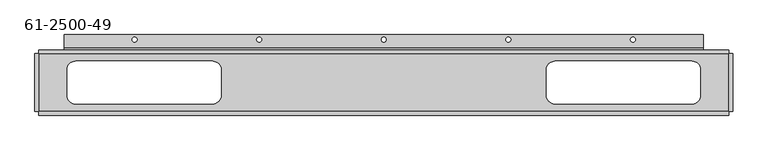
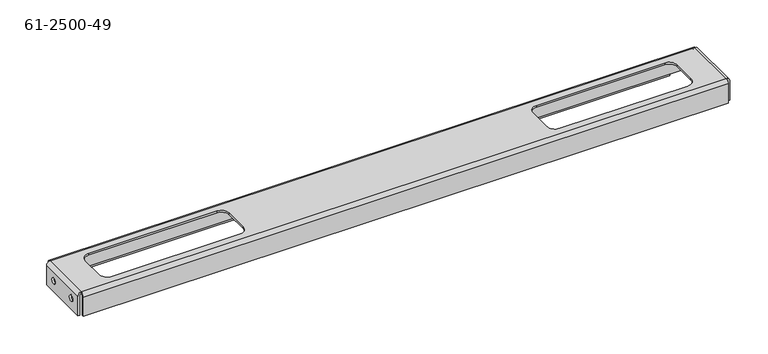
"""IFC4 building model written with IfcOpenShell, lengths in millimetres: proxy geometry, 61-2500-49."""

from ifc_helpers import new_model, si_unit, frame, origin, place, context, project, spatial, polyline, circle_curve, source, transform, mapped, element, save
from ifc_brep_helpers import plane_surface, cylinder_surface, revolved_surface, advanced_brep


def proxy_61_2500_49_d71531a4(model_context):
    return source(origin(), model_context, "Body", "AdvancedBrep", [
        advanced_brep(
        [(0.0, -24.96312, -22.1996), (2.75336, -24.96312, -22.1996), (2.75336, -24.96312, -12.6746), (0.0, -24.96312, -12.6746), (1032.25092, -24.96312, -22.1996), (1035.00428, -24.96312, -22.1996), (1035.00428, -24.96312, -12.6746), (1032.25092, -24.96312, -12.6746), (0.0, -72.68718, -22.1996), (2.75336, -72.68718, -22.1996), (2.75336, -72.68718, -12.6746), (0.0, -72.68718, -12.6746), (1032.25092, -72.68718, -22.1996), (1035.00428, -72.68718, -22.1996), (1035.00428, -72.68718, -12.6746), (1032.25092, -72.68718, -12.6746), (705.90664, 15.45336, -35.34664), (705.90664, 15.45336, -32.59328), (698.66764, 15.45336, -32.59328), (698.66764, 15.45336, -35.34664), (151.55164, 15.45336, -35.34664), (151.55164, 15.45336, -32.59328), (144.31264, 15.45336, -32.59328), (144.31264, 15.45336, -35.34664), (521.12164, 15.45336, -35.34664), (521.12164, 15.45336, -32.59328), (513.88264, 15.45336, -32.59328), (513.88264, 15.45336, -35.34664), (890.69164, 15.45336, -35.34664), (890.69164, 15.45336, -32.59328), (883.45264, 15.45336, -32.59328), (883.45264, 15.45336, -35.34664), (336.33664, 15.45336, -35.34664), (336.33664, 15.45336, -32.59328), (329.09764, 15.45336, -32.59328), (329.09764, 15.45336, -35.34664), (60.30214, -16.68018, 0.0), (263.50214, -16.68018, 0.0), (263.50214, -16.68018, 2.75336), (60.30214, -16.68018, 2.75336), (47.60214, -29.38018, 0.0), (47.60214, -29.38018, 2.75336), (47.60214, -67.48018, 0.0), (47.60214, -67.48018, 2.75336), (60.30214, -80.18018, 0.0), (60.30214, -80.18018, 2.75336), (263.50214, -80.18018, 0.0), (263.50214, -80.18018, 2.75336), (276.20214, -67.48018, 0.0), (276.20214, -67.48018, 2.75336), (276.20214, -29.38018, 0.0), (276.20214, -29.38018, 2.75336), (771.50214, -16.68018, 0.0), (974.70214, -16.68018, 0.0), (974.70214, -16.68018, 2.75336), (771.50214, -16.68018, 2.75336), (758.80214, -29.38018, 0.0), (758.80214, -29.38018, 2.75336), (758.80214, -67.48018, 0.0), (758.80214, -67.48018, 2.75336), (771.50214, -80.18018, 0.0), (771.50214, -80.18018, 2.75336), (974.70214, -80.18018, 0.0), (974.70214, -80.18018, 2.75336), (987.40214, -67.48018, 0.0), (987.40214, -67.48018, 2.75336), (987.40214, -29.38018, 0.0), (987.40214, -29.38018, 2.75336), (43.60672, 2.75336, -35.34664), (991.39756, 2.75336, -35.34664), (991.39756, -2.75336, -29.83992), (43.60672, -2.75336, -29.83992), (991.39756, 2.75336, -32.59328), (43.60672, 2.75336, -32.59328), (43.60672, 0.0, -29.83992), (991.39756, 0.0, -29.83992), (5.50672, -2.75336, -29.83992), (5.50672, 0.0, -29.83992), (1029.49756, 0.0, -29.83992), (1029.49756, -2.75336, -29.83992), (1029.49756, 0.0, -2.75336), (1029.49756, -5.50672, 2.75336), (1029.49756, -5.50672, 0.0), (1029.49756, -2.75336, -2.75336), (5.50672, -2.75336, -2.75336), (5.50672, 0.0, -2.75336), (1029.49756, -96.8375, -35.34664), (1029.49756, -96.8375, -2.75336), (5.50672, -96.8375, -2.75336), (5.50672, -96.8375, -35.34664), (1029.49756, -94.08414, -35.34664), (5.50672, -94.08414, -35.34664), (1035.00428, -91.33078, -2.75336), (1035.00428, -5.50672, -2.75336), (1029.49756, -91.33078, 2.75336), (1032.25092, -5.50672, -2.75336), (1032.25092, -91.33078, -2.75336), (1029.49756, -91.33078, 0.0), (1029.49756, -94.08414, -2.75336), (5.50672, -5.50672, 0.0), (5.50672, -91.33078, 2.75336), (5.50672, -91.33078, 0.0), (0.0, -5.50672, -2.75336), (0.0, -91.33078, -2.75336), (5.50672, -5.50672, 2.75336), (2.75336, -91.33078, -2.75336), (2.75336, -5.50672, -2.75336), (5.50672, -94.08414, -2.75336), (0.0, -91.33078, -35.34664), (2.75336, -91.33078, -35.34664), (0.0, -5.50672, -35.34664), (2.75336, -5.50672, -35.34664), (1035.00428, -5.50672, -35.34664), (1032.25092, -5.50672, -35.34664), (1035.00428, -91.33078, -35.34664), (1032.25092, -91.33078, -35.34664), (991.39756, 22.64664, -35.34664), (991.39756, 22.64664, -32.59328), (43.60672, 22.64664, -35.34664), (43.60672, 22.64664, -32.59328)],
        [
            (0, 1),
            (1, 2, circle_curve(frame((2.75336, -24.96312, -17.4371), z_axis=(1.0, 0.0, 0.0), x_axis=(0.0, 0.0, -1.0)), 4.7625)),
            (2, 3),
            (3, 0, circle_curve(frame((0.0, -24.96312, -17.4371), z_axis=(-1.0, 0.0, 0.0), x_axis=(0.0, 0.0, -1.0)), 4.7625)),
            (4, 5),
            (5, 6, circle_curve(frame((1035.00428, -24.96312, -17.4371), z_axis=(1.0, 0.0, 0.0), x_axis=(0.0, 0.0, -1.0)), 4.7625)),
            (6, 7),
            (7, 4, circle_curve(frame((1032.25092, -24.96312, -17.4371), z_axis=(-1.0, 0.0, 0.0), x_axis=(0.0, 0.0, -1.0)), 4.7625)),
            (8, 9),
            (9, 10, circle_curve(frame((2.75336, -72.68718, -17.4371), z_axis=(1.0, 0.0, 0.0), x_axis=(0.0, 0.0, -1.0)), 4.7625)),
            (10, 11),
            (11, 8, circle_curve(frame((0.0, -72.68718, -17.4371), z_axis=(-1.0, 0.0, 0.0), x_axis=(0.0, 0.0, -1.0)), 4.7625)),
            (12, 13),
            (13, 14, circle_curve(frame((1035.00428, -72.68718, -17.4371), z_axis=(1.0, 0.0, 0.0), x_axis=(0.0, 0.0, -1.0)), 4.7625)),
            (14, 15),
            (15, 12, circle_curve(frame((1032.25092, -72.68718, -17.4371), z_axis=(-1.0, 0.0, 0.0), x_axis=(0.0, 0.0, -1.0)), 4.7625)),
            (16, 17),
            (17, 18, circle_curve(frame((702.28714, 15.45336, -32.59328), z_axis=(0.0, 0.0, 1.0), x_axis=(1.0, 0.0, 0.0)), 3.6195)),
            (18, 19),
            (19, 16, circle_curve(frame((702.28714, 15.45336, -35.34664), z_axis=(0.0, 0.0, -1.0), x_axis=(1.0, 0.0, 0.0)), 3.6195)),
            (20, 21),
            (21, 22, circle_curve(frame((147.93214, 15.45336, -32.59328), z_axis=(0.0, 0.0, 1.0), x_axis=(1.0, 0.0, 0.0)), 3.6195)),
            (22, 23),
            (23, 20, circle_curve(frame((147.93214, 15.45336, -35.34664), z_axis=(0.0, 0.0, -1.0), x_axis=(1.0, 0.0, 0.0)), 3.6195)),
            (24, 25),
            (25, 26, circle_curve(frame((517.50214, 15.45336, -32.59328), z_axis=(0.0, 0.0, 1.0), x_axis=(1.0, 0.0, 0.0)), 3.6195)),
            (26, 27),
            (27, 24, circle_curve(frame((517.50214, 15.45336, -35.34664), z_axis=(0.0, 0.0, -1.0), x_axis=(1.0, 0.0, 0.0)), 3.6195)),
            (28, 29),
            (29, 30, circle_curve(frame((887.07214, 15.45336, -32.59328), z_axis=(0.0, 0.0, 1.0), x_axis=(1.0, 0.0, 0.0)), 3.6195)),
            (30, 31),
            (31, 28, circle_curve(frame((887.07214, 15.45336, -35.34664), z_axis=(0.0, 0.0, -1.0), x_axis=(1.0, 0.0, 0.0)), 3.6195)),
            (32, 33),
            (33, 34, circle_curve(frame((332.71714, 15.45336, -32.59328), z_axis=(0.0, 0.0, 1.0), x_axis=(1.0, 0.0, 0.0)), 3.6195)),
            (34, 35),
            (35, 32, circle_curve(frame((332.71714, 15.45336, -35.34664), z_axis=(0.0, 0.0, -1.0), x_axis=(1.0, 0.0, 0.0)), 3.6195)),
            (32, 35, circle_curve(frame((332.71714, 15.45336, -35.34664), z_axis=(0.0, 0.0, -1.0), x_axis=(1.0, 0.0, 0.0)), 3.6195)),
            (34, 33, circle_curve(frame((332.71714, 15.45336, -32.59328), z_axis=(0.0, 0.0, 1.0), x_axis=(1.0, 0.0, 0.0)), 3.6195)),
            (28, 31, circle_curve(frame((887.07214, 15.45336, -35.34664), z_axis=(0.0, 0.0, -1.0), x_axis=(1.0, 0.0, 0.0)), 3.6195)),
            (30, 29, circle_curve(frame((887.07214, 15.45336, -32.59328), z_axis=(0.0, 0.0, 1.0), x_axis=(1.0, 0.0, 0.0)), 3.6195)),
            (24, 27, circle_curve(frame((517.50214, 15.45336, -35.34664), z_axis=(0.0, 0.0, -1.0), x_axis=(1.0, 0.0, 0.0)), 3.6195)),
            (26, 25, circle_curve(frame((517.50214, 15.45336, -32.59328), z_axis=(0.0, 0.0, 1.0), x_axis=(1.0, 0.0, 0.0)), 3.6195)),
            (20, 23, circle_curve(frame((147.93214, 15.45336, -35.34664), z_axis=(0.0, 0.0, -1.0), x_axis=(1.0, 0.0, 0.0)), 3.6195)),
            (22, 21, circle_curve(frame((147.93214, 15.45336, -32.59328), z_axis=(0.0, 0.0, 1.0), x_axis=(1.0, 0.0, 0.0)), 3.6195)),
            (16, 19, circle_curve(frame((702.28714, 15.45336, -35.34664), z_axis=(0.0, 0.0, -1.0), x_axis=(1.0, 0.0, 0.0)), 3.6195)),
            (18, 17, circle_curve(frame((702.28714, 15.45336, -32.59328), z_axis=(0.0, 0.0, 1.0), x_axis=(1.0, 0.0, 0.0)), 3.6195)),
            (36, 37),
            (37, 38),
            (38, 39),
            (39, 36),
            (40, 36, circle_curve(frame((60.30214, -29.38018, 0.0), z_axis=(0.0, 0.0, -1.0), x_axis=(0.0, -1.0, 0.0)), 12.7)),
            (39, 41, circle_curve(frame((60.30214, -29.38018, 2.75336), z_axis=(0.0, 0.0, 1.0), x_axis=(0.0, -1.0, 0.0)), 12.7)),
            (41, 40),
            (42, 40),
            (41, 43),
            (43, 42),
            (44, 42, circle_curve(frame((60.30214, -67.48018, 0.0), z_axis=(0.0, 0.0, -1.0), x_axis=(1.0, 0.0, 0.0)), 12.7)),
            (43, 45, circle_curve(frame((60.30214, -67.48018, 2.75336), z_axis=(0.0, 0.0, 1.0), x_axis=(1.0, 0.0, 0.0)), 12.7)),
            (45, 44),
            (46, 44),
            (45, 47),
            (47, 46),
            (48, 46, circle_curve(frame((263.50214, -67.48018, 0.0), z_axis=(0.0, 0.0, -1.0), x_axis=(0.0, 1.0, 0.0)), 12.7)),
            (47, 49, circle_curve(frame((263.50214, -67.48018, 2.75336), z_axis=(0.0, 0.0, 1.0), x_axis=(0.0, 1.0, 0.0)), 12.7)),
            (49, 48),
            (50, 48),
            (49, 51),
            (51, 50),
            (37, 50, circle_curve(frame((263.50214, -29.38018, 0.0), z_axis=(0.0, 0.0, -1.0), x_axis=(-1.0, 0.0, 0.0)), 12.7)),
            (51, 38, circle_curve(frame((263.50214, -29.38018, 2.75336), z_axis=(0.0, 0.0, 1.0), x_axis=(-1.0, 0.0, 0.0)), 12.7)),
            (52, 53),
            (53, 54),
            (54, 55),
            (55, 52),
            (56, 52, circle_curve(frame((771.50214, -29.38018, 0.0), z_axis=(0.0, 0.0, -1.0), x_axis=(0.0, -1.0, 0.0)), 12.7)),
            (55, 57, circle_curve(frame((771.50214, -29.38018, 2.75336), z_axis=(0.0, 0.0, 1.0), x_axis=(0.0, -1.0, 0.0)), 12.7)),
            (57, 56),
            (58, 56),
            (57, 59),
            (59, 58),
            (60, 58, circle_curve(frame((771.50214, -67.48018, 0.0), z_axis=(0.0, 0.0, -1.0), x_axis=(1.0, 0.0, 0.0)), 12.7)),
            (59, 61, circle_curve(frame((771.50214, -67.48018, 2.75336), z_axis=(0.0, 0.0, 1.0), x_axis=(1.0, 0.0, 0.0)), 12.7)),
            (61, 60),
            (62, 60),
            (61, 63),
            (63, 62),
            (64, 62, circle_curve(frame((974.70214, -67.48018, 0.0), z_axis=(0.0, 0.0, -1.0), x_axis=(0.0, 1.0, 0.0)), 12.7)),
            (63, 65, circle_curve(frame((974.70214, -67.48018, 2.75336), z_axis=(0.0, 0.0, 1.0), x_axis=(0.0, 1.0, 0.0)), 12.7)),
            (65, 64),
            (66, 64),
            (65, 67),
            (67, 66),
            (53, 66, circle_curve(frame((974.70214, -29.38018, 0.0), z_axis=(0.0, 0.0, -1.0), x_axis=(-1.0, 0.0, 0.0)), 12.7)),
            (67, 54, circle_curve(frame((974.70214, -29.38018, 2.75336), z_axis=(0.0, 0.0, 1.0), x_axis=(-1.0, 0.0, 0.0)), 12.7)),
            (12, 15, circle_curve(frame((1032.25092, -72.68718, -17.4371), z_axis=(-1.0, 0.0, 0.0), x_axis=(0.0, 0.0, -1.0)), 4.7625)),
            (14, 13, circle_curve(frame((1035.00428, -72.68718, -17.4371), z_axis=(1.0, 0.0, 0.0), x_axis=(0.0, 0.0, -1.0)), 4.7625)),
            (8, 11, circle_curve(frame((0.0, -72.68718, -17.4371), z_axis=(-1.0, 0.0, 0.0), x_axis=(0.0, 0.0, -1.0)), 4.7625)),
            (10, 9, circle_curve(frame((2.75336, -72.68718, -17.4371), z_axis=(1.0, 0.0, 0.0), x_axis=(0.0, 0.0, -1.0)), 4.7625)),
            (4, 7, circle_curve(frame((1032.25092, -24.96312, -17.4371), z_axis=(-1.0, 0.0, 0.0), x_axis=(0.0, 0.0, -1.0)), 4.7625)),
            (6, 5, circle_curve(frame((1035.00428, -24.96312, -17.4371), z_axis=(1.0, 0.0, 0.0), x_axis=(0.0, 0.0, -1.0)), 4.7625)),
            (0, 3, circle_curve(frame((0.0, -24.96312, -17.4371), z_axis=(-1.0, 0.0, 0.0), x_axis=(0.0, 0.0, -1.0)), 4.7625)),
            (2, 1, circle_curve(frame((2.75336, -24.96312, -17.4371), z_axis=(1.0, 0.0, 0.0), x_axis=(0.0, 0.0, -1.0)), 4.7625)),
            (68, 69),
            (69, 70, circle_curve(frame((991.39756, 2.75336, -29.83992), z_axis=(-1.0, 0.0, 0.0), x_axis=(0.0, -1.0, 0.0)), 5.50672)),
            (70, 71),
            (71, 68, circle_curve(frame((43.60672, 2.75336, -29.83992), z_axis=(1.0, 0.0, 0.0), x_axis=(0.0, -1.0, 0.0)), 5.50672)),
            (72, 73),
            (73, 74, circle_curve(frame((43.60672, 2.75336, -29.83992), z_axis=(-1.0, 0.0, 0.0), x_axis=(0.0, -1.0, 0.0)), 2.75336)),
            (74, 75),
            (75, 72, circle_curve(frame((991.39756, 2.75336, -29.83992), z_axis=(1.0, 0.0, 0.0), x_axis=(0.0, -1.0, 0.0)), 2.75336)),
            (74, 71),
            (71, 76),
            (76, 77),
            (77, 74),
            (70, 75),
            (75, 78),
            (78, 79),
            (79, 70),
            (78, 80),
            (80, 81, circle_curve(frame((1029.49756, -5.50672, -2.75336), z_axis=(1.0, 0.0, 0.0), x_axis=(0.0, 0.0, 1.0)), 5.50672)),
            (81, 82),
            (82, 83, circle_curve(frame((1029.49756, -5.50672, -2.75336), z_axis=(-1.0, 0.0, 0.0), x_axis=(0.0, 0.0, 1.0)), 2.75336)),
            (83, 79),
            (83, 84),
            (84, 76),
            (77, 85),
            (85, 80),
            (86, 87),
            (87, 88),
            (88, 89),
            (89, 86),
            (90, 86),
            (89, 91),
            (91, 90),
            (92, 93),
            (93, 81, circle_curve(frame((1029.49756, -5.50672, -2.75336), z_axis=(0.0, -1.0, 0.0), x_axis=(0.0, 0.0, 1.0)), 5.50672)),
            (81, 94),
            (94, 92, circle_curve(frame((1029.49756, -91.33078, -2.75336), z_axis=(0.0, 1.0, 0.0), x_axis=(0.0, 0.0, 1.0)), 5.50672)),
            (95, 96),
            (96, 97, circle_curve(frame((1029.49756, -91.33078, -2.75336), z_axis=(0.0, -1.0, 0.0), x_axis=(0.0, 0.0, 1.0)), 2.75336)),
            (97, 82),
            (82, 95, circle_curve(frame((1029.49756, -5.50672, -2.75336), z_axis=(0.0, 1.0, 0.0), x_axis=(0.0, 0.0, 1.0)), 2.75336)),
            (97, 94),
            (94, 87, circle_curve(frame((1029.49756, -91.33078, -2.75336), z_axis=(1.0, 0.0, 0.0), x_axis=(0.0, 0.0, 1.0)), 5.50672)),
            (90, 98),
            (98, 97, circle_curve(frame((1029.49756, -91.33078, -2.75336), z_axis=(-1.0, 0.0, 0.0), x_axis=(0.0, 0.0, 1.0)), 2.75336)),
            (82, 99),
            (99, 84, circle_curve(frame((5.50672, -5.50672, -2.75336), z_axis=(-1.0, 0.0, 0.0), x_axis=(0.0, 0.0, 1.0)), 2.75336)),
            (94, 100),
            (100, 88, circle_curve(frame((5.50672, -91.33078, -2.75336), z_axis=(1.0, 0.0, 0.0), x_axis=(0.0, 0.0, 1.0)), 5.50672)),
            (97, 101),
            (101, 99),
            (102, 103),
            (103, 100, circle_curve(frame((5.50672, -91.33078, -2.75336), z_axis=(0.0, 1.0, 0.0), x_axis=(0.0, 0.0, 1.0)), 5.50672)),
            (100, 104),
            (104, 102, circle_curve(frame((5.50672, -5.50672, -2.75336), z_axis=(0.0, -1.0, 0.0), x_axis=(0.0, 0.0, 1.0)), 5.50672)),
            (105, 106),
            (106, 99, circle_curve(frame((5.50672, -5.50672, -2.75336), z_axis=(0.0, 1.0, 0.0), x_axis=(0.0, 0.0, 1.0)), 2.75336)),
            (101, 105, circle_curve(frame((5.50672, -91.33078, -2.75336), z_axis=(0.0, -1.0, 0.0), x_axis=(0.0, 0.0, 1.0)), 2.75336)),
            (99, 104),
            (104, 85, circle_curve(frame((5.50672, -5.50672, -2.75336), z_axis=(-1.0, 0.0, 0.0), x_axis=(0.0, 0.0, 1.0)), 5.50672)),
            (100, 101),
            (101, 107, circle_curve(frame((5.50672, -91.33078, -2.75336), z_axis=(1.0, 0.0, 0.0), x_axis=(0.0, 0.0, 1.0)), 2.75336)),
            (107, 91),
            (104, 81),
            (98, 107),
            (103, 108),
            (108, 109),
            (109, 105),
            (102, 110),
            (110, 108),
            (106, 111),
            (111, 110),
            (111, 109),
            (93, 112),
            (112, 113),
            (113, 95),
            (92, 114),
            (114, 112),
            (96, 115),
            (115, 114),
            (115, 113),
            (69, 116),
            (116, 117),
            (117, 72),
            (68, 118),
            (118, 116),
            (73, 119),
            (119, 118),
            (119, 117),
        ],
        [
            revolved_surface(polyline([(2.75336, -24.96312, -22.1996), (0.0, -24.96312, -22.1996)]), (-7.5703837, -24.96312, -17.4371), (1.0, 0.0, 0.0)),
            revolved_surface(polyline([(1035.00428, -24.96312, -22.1996), (1032.25092, -24.96312, -22.1996)]), (-7.5703837, -24.96312, -17.4371), (1.0, 0.0, 0.0)),
            revolved_surface(polyline([(2.75336, -72.68718, -22.1996), (0.0, -72.68718, -22.1996)]), (-7.5703837, -72.68718, -17.4371), (1.0, 0.0, 0.0)),
            revolved_surface(polyline([(1035.00428, -72.68718, -22.1996), (1032.25092, -72.68718, -22.1996)]), (-7.5703837, -72.68718, -17.4371), (1.0, 0.0, 0.0)),
            revolved_surface(polyline([(705.90664, 15.45336, -32.59328), (705.90664, 15.45336, -35.34664)]), (702.28714, 15.45336, -33.96996), (0.0, 0.0, 1.0)),
            revolved_surface(polyline([(151.55164, 15.45336, -32.59328), (151.55164, 15.45336, -35.34664)]), (147.93214, 15.45336, -33.96996), (0.0, 0.0, 1.0)),
            revolved_surface(polyline([(521.1216400000001, 15.45336, -32.59328), (521.1216400000001, 15.45336, -35.34664)]), (517.50214, 15.45336, -33.96996), (0.0, 0.0, 1.0)),
            revolved_surface(polyline([(890.69164, 15.45336, -32.59328), (890.69164, 15.45336, -35.34664)]), (887.07214, 15.45336, -33.96996), (0.0, 0.0, 1.0)),
            revolved_surface(polyline([(336.33664, 15.45336, -32.59328), (336.33664, 15.45336, -35.34664)]), (332.71714, 15.45336, -33.96996), (0.0, 0.0, 1.0)),
            plane_surface(frame((161.90214, -16.68018, 2.75336), z_axis=(0.0, -1.0, 0.0), x_axis=(0.0, 0.0, 1.0))),
            revolved_surface(polyline([(60.30214, -42.08018, 0.0), (60.30214, -42.08018, 2.75336)]), (60.30214, -29.38018, 2.75336), (0.0, 0.0, -1.0)),
            plane_surface(frame((47.60214, -29.38018, 2.75336), z_axis=(1.0, 0.0, 0.0), x_axis=(0.0, 0.0, 1.0))),
            revolved_surface(polyline([(73.00214, -67.48018, 0.0), (73.00214, -67.48018, 2.75336)]), (60.30214, -67.48018, 2.75336), (0.0, 0.0, -1.0)),
            plane_surface(frame((60.30214, -80.18018, 2.75336), z_axis=(0.0, 1.0, 0.0), x_axis=(0.0, 0.0, -1.0))),
            revolved_surface(polyline([(263.50214, -54.78018, 0.0), (263.50214, -54.78018, 2.75336)]), (263.50214, -67.48018, 2.75336), (0.0, 0.0, -1.0)),
            plane_surface(frame((276.20214, -67.48018, 2.75336), z_axis=(-1.0, 0.0, 0.0), x_axis=(0.0, 0.0, -1.0))),
            revolved_surface(polyline([(250.80214, -29.38018, 0.0), (250.80214, -29.38018, 2.75336)]), (263.50214, -29.38018, 2.75336), (0.0, 0.0, -1.0)),
            plane_surface(frame((873.10214, -16.68018, 2.75336), z_axis=(0.0, -1.0, 0.0), x_axis=(0.0, 0.0, 1.0))),
            revolved_surface(polyline([(771.50214, -42.08018, 0.0), (771.50214, -42.08018, 2.75336)]), (771.50214, -29.38018, 2.75336), (0.0, 0.0, -1.0)),
            plane_surface(frame((758.80214, -29.38018, 2.75336), z_axis=(1.0, 0.0, 0.0), x_axis=(0.0, 0.0, 1.0))),
            revolved_surface(polyline([(784.2021400000001, -67.48018, 0.0), (784.2021400000001, -67.48018, 2.75336)]), (771.50214, -67.48018, 2.75336), (0.0, 0.0, -1.0)),
            plane_surface(frame((771.50214, -80.18018, 2.75336), z_axis=(0.0, 1.0, 0.0), x_axis=(0.0, 0.0, -1.0))),
            revolved_surface(polyline([(974.70214, -54.78018, 0.0), (974.70214, -54.78018, 2.75336)]), (974.70214, -67.48018, 2.75336), (0.0, 0.0, -1.0)),
            plane_surface(frame((987.40214, -67.48018, 2.75336), z_axis=(-1.0, 0.0, 0.0), x_axis=(0.0, 0.0, -1.0))),
            revolved_surface(polyline([(962.0021399999999, -29.38018, 0.0), (962.0021399999999, -29.38018, 2.75336)]), (974.70214, -29.38018, 2.75336), (0.0, 0.0, -1.0)),
            cylinder_surface(frame((517.50214, 2.75336, -29.83992), z_axis=(1.0, 0.0, 0.0), x_axis=(0.0, -1.0, 0.0)), 5.50672),
            revolved_surface(polyline([(991.39756, 0.0, -29.83992), (43.606719999999996, 0.0, -29.83992)]), (517.50214, 2.75336, -29.83992), (1.0, 0.0, 0.0)),
            plane_surface(frame((991.39756, -2.75336, -29.83992), z_axis=(0.0, 0.0, -1.0), x_axis=(1.0, 0.0, 0.0))),
            plane_surface(frame((1029.49756, -5.50672, 2.75336), z_axis=(1.0, 0.0, 0.0), x_axis=(0.0, 0.0, 1.0))),
            plane_surface(frame((517.50214, -2.75336, -16.29664), z_axis=(0.0, -1.0, 0.0), x_axis=(0.0, 0.0, 1.0))),
            plane_surface(frame((517.50214, 0.0, -16.29664), z_axis=(0.0, 1.0, 0.0), x_axis=(0.0, 0.0, 1.0))),
            plane_surface(frame((517.50214, -96.8375, -16.29664), z_axis=(0.0, -1.0, 0.0), x_axis=(0.0, 0.0, 1.0))),
            plane_surface(frame((0.0, -96.8375, -35.34664), z_axis=(0.0, 0.0, -1.0), x_axis=(-1.0, 0.0, 0.0))),
            cylinder_surface(frame((1029.49756, -48.41875, -2.75336), z_axis=(0.0, 1.0, 0.0), x_axis=(0.0, 0.0, 1.0)), 5.50672),
            revolved_surface(polyline([(1029.49756, -5.506720000000001, 0.0), (1029.49756, -91.33078, 0.0)]), (1029.49756, -48.41875, -2.75336), (0.0, 1.0, 0.0)),
            revolved_surface(polyline([(5.506719999999973, -5.50672, 0.0), (1029.49756, -5.50672, 0.0)]), (517.50214, -5.50672, -2.75336), (-1.0, 0.0, 0.0)),
            cylinder_surface(frame((517.50214, -91.33078, -2.75336), z_axis=(1.0, 0.0, 0.0), x_axis=(0.0, 0.0, 1.0)), 5.50672),
            plane_surface(frame((517.50214, -48.41875, 0.0), z_axis=(0.0, 0.0, -1.0), x_axis=(1.0, 0.0, 0.0))),
            cylinder_surface(frame((5.50672, -48.41875, -2.75336), z_axis=(0.0, -1.0, 0.0), x_axis=(0.0, 0.0, 1.0)), 5.50672),
            revolved_surface(polyline([(5.50672, -91.33078, 0.0), (5.50672, -5.506720000000001, 0.0)]), (5.50672, -48.41875, -2.75336), (0.0, -1.0, 0.0)),
            plane_surface(frame((5.50672, -91.33078, 2.75336), z_axis=(-1.0, 0.0, 0.0), x_axis=(0.0, 0.0, -1.0))),
            cylinder_surface(frame((517.50214, -5.50672, -2.75336), z_axis=(-1.0, 0.0, 0.0), x_axis=(0.0, 0.0, 1.0)), 5.50672),
            revolved_surface(polyline([(1029.49756, -91.33078, 0.0), (5.506719999999973, -91.33078, 0.0)]), (517.50214, -91.33078, -2.75336), (1.0, 0.0, 0.0)),
            plane_surface(frame((517.50214, -48.41875, 2.75336), z_axis=(0.0, 0.0, 1.0), x_axis=(1.0, 0.0, 0.0))),
            plane_surface(frame((517.50214, -94.08414, -16.29664), z_axis=(0.0, 1.0, 0.0), x_axis=(0.0, 0.0, 1.0))),
            plane_surface(frame((0.0, -91.33078, -35.34664), z_axis=(0.0, -1.0, 0.0), x_axis=(0.0, 0.0, -1.0))),
            plane_surface(frame((0.0, -48.41875, -16.29664), z_axis=(-1.0, 0.0, 0.0), x_axis=(0.0, 0.0, -1.0))),
            plane_surface(frame((0.0, -5.50672, 2.75336), z_axis=(0.0, 1.0, 0.0), x_axis=(0.0, 0.0, 1.0))),
            plane_surface(frame((0.0, -5.50672, -35.34664), z_axis=(0.0, 0.0, -1.0), x_axis=(-1.0, 0.0, 0.0))),
            plane_surface(frame((2.75336, -48.41875, -16.29664), z_axis=(1.0, 0.0, 0.0), x_axis=(0.0, 0.0, -1.0))),
            plane_surface(frame((1035.00428, -5.50672, -35.34664), z_axis=(0.0, 1.0, 0.0), x_axis=(0.0, 0.0, 1.0))),
            plane_surface(frame((1035.00428, -48.41875, -16.29664), z_axis=(1.0, 0.0, 0.0), x_axis=(0.0, 0.0, -1.0))),
            plane_surface(frame((1035.00428, -91.33078, 2.75336), z_axis=(0.0, -1.0, 0.0), x_axis=(0.0, 0.0, -1.0))),
            plane_surface(frame((1035.00428, -91.33078, -35.34664), z_axis=(0.0, 0.0, -1.0), x_axis=(-1.0, 0.0, 0.0))),
            plane_surface(frame((1032.25092, -48.41875, -16.29664), z_axis=(-1.0, 0.0, 0.0), x_axis=(0.0, 0.0, -1.0))),
            plane_surface(frame((991.39756, 22.64664, -35.34664), z_axis=(1.0, 0.0, 0.0), x_axis=(0.0, 0.0, -1.0))),
            plane_surface(frame((517.50214, 9.94664, -35.34664), z_axis=(0.0, 0.0, -1.0), x_axis=(1.0, 0.0, 0.0))),
            plane_surface(frame((43.60672, -2.75336, -35.34664), z_axis=(-1.0, 0.0, 0.0), x_axis=(0.0, 0.0, 1.0))),
            plane_surface(frame((43.60672, 22.64664, -35.34664), z_axis=(0.0, 1.0, 0.0), x_axis=(0.0, 0.0, 1.0))),
            plane_surface(frame((517.50214, 9.94664, -32.59328), z_axis=(0.0, 0.0, 1.0), x_axis=(1.0, 0.0, 0.0))),
        ],
        [
            (0, [[1, 2, 3, 4]]),
            (1, [[5, 6, 7, 8]]),
            (2, [[9, 10, 11, 12]]),
            (3, [[13, 14, 15, 16]]),
            (4, [[17, 18, 19, 20]]),
            (5, [[21, 22, 23, 24]]),
            (6, [[25, 26, 27, 28]]),
            (7, [[29, 30, 31, 32]]),
            (8, [[33, 34, 35, 36]]),
            (8, [[-33, 37, -35, 38]]),
            (7, [[-29, 39, -31, 40]]),
            (6, [[-25, 41, -27, 42]]),
            (5, [[-21, 43, -23, 44]]),
            (4, [[-17, 45, -19, 46]]),
            (9, [[47, 48, 49, 50]]),
            (10, [[51, -50, 52, 53]]),
            (11, [[54, -53, 55, 56]]),
            (12, [[57, -56, 58, 59]]),
            (13, [[60, -59, 61, 62]]),
            (14, [[63, -62, 64, 65]]),
            (15, [[66, -65, 67, 68]]),
            (16, [[69, -68, 70, -48]]),
            (17, [[71, 72, 73, 74]]),
            (18, [[75, -74, 76, 77]]),
            (19, [[78, -77, 79, 80]]),
            (20, [[81, -80, 82, 83]]),
            (21, [[84, -83, 85, 86]]),
            (22, [[87, -86, 88, 89]]),
            (23, [[90, -89, 91, 92]]),
            (24, [[93, -92, 94, -72]]),
            (3, [[-13, 95, -15, 96]]),
            (2, [[-9, 97, -11, 98]]),
            (1, [[-5, 99, -7, 100]]),
            (0, [[-1, 101, -3, 102]]),
            (25, [[103, 104, 105, 106]]),
            (26, [[107, 108, 109, 110]]),
            (27, [[111, 112, 113, 114]]),
            (27, [[115, 116, 117, 118]]),
            (28, [[-117, 119, 120, 121, 122, 123]]),
            (29, [[-112, -105, -118, -123, 124, 125]]),
            (30, [[-116, -109, -114, 126, 127, -119]]),
            (31, [[128, 129, 130, 131]]),
            (32, [[132, -131, 133, 134]]),
            (33, [[135, 136, 137, 138]]),
            (34, [[139, 140, 141, 142]]),
            (28, [[143, 144, -128, -132, 145, 146]]),
            (35, [[-122, 147, 148, -124]]),
            (36, [[-144, 149, 150, -129]]),
            (37, [[-141, 151, 152, -147], [-47, -51, -54, -57, -60, -63, -66, -69], [-71, -75, -78, -81, -84, -87, -90, -93]]),
            (38, [[153, 154, 155, 156]]),
            (39, [[157, 158, -152, 159]]),
            (40, [[-113, -125, -148, 160, 161, -126]]),
            (40, [[162, 163, 164, -133, -130, -150]]),
            (41, [[-120, -127, -161, 165]]),
            (42, [[-146, 166, -163, -151]]),
            (43, [[-137, -165, -155, -149], [-49, -70, -67, -64, -61, -58, -55, -52], [-73, -94, -91, -88, -85, -82, -79, -76]]),
            (44, [[-145, -134, -164, -166]]),
            (45, [[167, 168, 169, -159, -162, -154]]),
            (46, [[-153, 170, 171, -167], [-97, -12], [-101, -4]]),
            (47, [[172, 173, -170, -156, -160, -158]]),
            (48, [[174, -168, -171, -173]]),
            (49, [[-157, -169, -174, -172], [-2, -102], [-10, -98]]),
            (50, [[175, 176, 177, -142, -121, -136]]),
            (51, [[-135, 178, 179, -175], [-96, -14], [-100, -6]]),
            (52, [[180, 181, -178, -138, -143, -140]]),
            (53, [[182, -176, -179, -181]]),
            (54, [[-139, -177, -182, -180], [-95, -16], [-99, -8]]),
            (55, [[183, 184, 185, -110, -115, -104]]),
            (56, [[-103, 186, 187, -183], [-20, -45], [-24, -43], [-28, -41], [-32, -39], [-36, -37]]),
            (57, [[188, 189, -186, -106, -111, -108]]),
            (58, [[190, -184, -187, -189]]),
            (59, [[-107, -185, -190, -188], [-38, -34], [-40, -30], [-42, -26], [-44, -22], [-46, -18]]),
        ],
    ),
    ])


if __name__ == "__main__":
    model = new_model("IFC4")
    model_context = context("Model", 3, world=origin())
    ifc_project = project(units=[si_unit("LENGTHUNIT", "METRE", prefix="MILLI")], contexts=[model_context])
    site = spatial("IfcSite", under=ifc_project)
    building = spatial("IfcBuilding", under=site)
    placement = place(None, origin())
    proxy_61_2500_49_shape = proxy_61_2500_49_d71531a4(model_context)
    element("IfcBuildingElementProxy", 1, Name="61-2500-49", ObjectType="61-2500-49", at=placement, inside=building, context=model_context, shape_type="MappedRepresentation", body=[
        mapped(proxy_61_2500_49_shape, transform((0.0, 0.0, 0.0), x_axis=(1.0, 0.0, 0.0), y_axis=(0.0, 1.0, 0.0), z_axis=(0.0, 0.0, 1.0))),
    ])
    save(model, "model.ifc")
